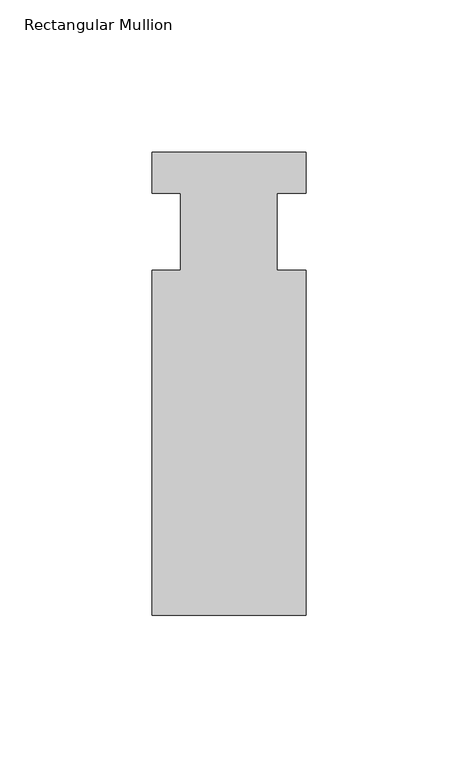
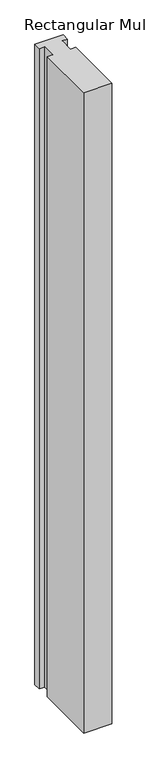
"""IFC4 building model written with IfcOpenShell, lengths in millimetres: member geometry, Rectangular Mullion."""

from ifc_helpers import new_model, si_unit, frame, origin, place, context, project, spatial, polyline, outline, extrude, source, transform, mapped, element, save


def rectangular_mullion_a5a42de7(model_context):
    return source(origin(), model_context, "Body", "SweptSolid", [
        extrude(outline(polyline([(-25.4, 26.19375), (25.4, 26.19375), (25.4, 12.7), (15.875, 12.7), (15.875, -12.7), (25.4, -12.7), (25.4, -126.20625), (-25.4, -126.20625), (-25.4, -12.7), (-15.875, -12.7), (-15.875, 12.7), (-25.4, 12.7), (-25.4, 26.19375)])), frame((0.0, 0.0, -1219.2), z_axis=(0.0, 0.0, 1.0), x_axis=(1.0, 0.0, 0.0)), (0.0, 0.0, 1.0), 1219.2),
    ])


if __name__ == "__main__":
    model = new_model("IFC4")
    model_context = context("Model", 3, world=origin())
    ifc_project = project(units=[si_unit("LENGTHUNIT", "METRE", prefix="MILLI")], contexts=[model_context])
    site = spatial("IfcSite", under=ifc_project)
    building = spatial("IfcBuilding", under=site)
    placement = place(None, origin())
    rectangular_mullion_shape = rectangular_mullion_a5a42de7(model_context)
    element("IfcMember", 1, ObjectType="Rectangular Mullion", at=placement, inside=building, context=model_context, shape_type="MappedRepresentation", body=[
        mapped(rectangular_mullion_shape, transform((0.0, 0.0, 0.0), x_axis=(1.0, 0.0, 0.0), y_axis=(0.0, 1.0, 0.0), z_axis=(0.0, 0.0, 1.0))),
    ])
    save(model, "model.ifc")
